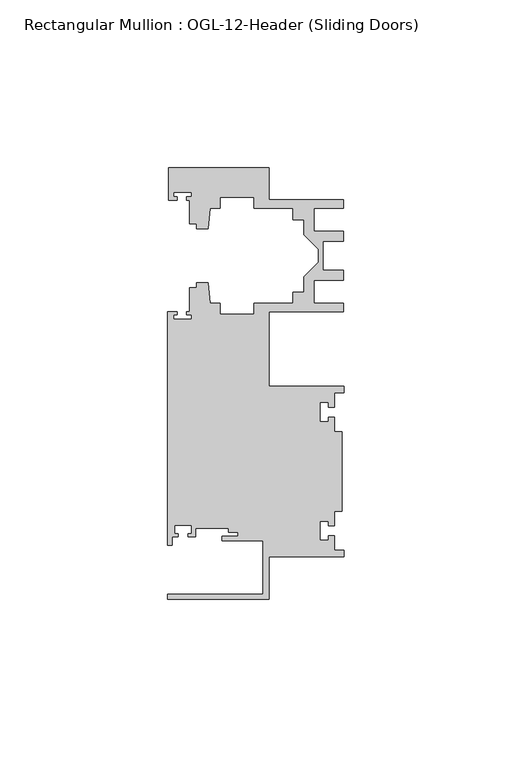
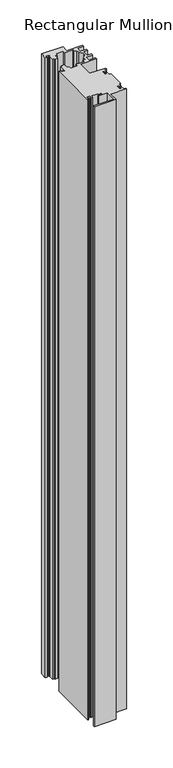
"""IFC4 building model written with IfcOpenShell, lengths in millimetres: member geometry, Rectangular Mullion : OGL-12-Header (Sliding Doors)."""

import ifcopenshell
import ifcopenshell.guid

model = None  # the IFC model being written
_history = None  # IfcOwnerHistory: only IFC2X3 demands one
_inside = {}  # id of a spatial element -> (the spatial element, [elements in it])
_under = {}  # id of a project, library or spatial element -> (it, [spatial elements below it])
_declared = {}  # id of a project -> (the project, [libraries it declares])
_typed = {}  # id of a type object -> (the type object, [elements of that type])
_made_of = {}  # id of a material, layer set ... -> (it, [elements and type objects made of it])


def new_model(schema):
    """Start an empty IFC model of exactly this schema.

    Asked for "IFC4X3", IfcOpenShell would pick the latest addendum, in which some entities
    have other attributes; the version numbers below select the first issue.
    IFC2X3 requires an IfcOwnerHistory on every rooted entity: one is made here for all.
    """
    global model, _history
    if schema == "IFC4X3":
        model = ifcopenshell.file(schema_version=(4, 3, 0, 0))
    else:
        model = ifcopenshell.file(schema=schema)
    _inside.clear()
    _under.clear()
    _declared.clear()
    _typed.clear()
    _made_of.clear()
    _history = None
    if model.schema == "IFC2X3":
        org = make("IfcOrganization", Name="unknown")
        user = make(
            "IfcPersonAndOrganization",
            ThePerson=make("IfcPerson", FamilyName="unknown"),
            TheOrganization=org,
        )
        app = make(
            "IfcApplication",
            ApplicationDeveloper=org,
            Version="unknown",
            ApplicationFullName="unknown",
            ApplicationIdentifier="unknown",
        )
        _history = make(
            "IfcOwnerHistory",
            OwningUser=user,
            OwningApplication=app,
            ChangeAction="ADDED",
            CreationDate=0,
        )
    return model


def make(cls, **values):
    """One entity of the class cls with the attributes given. An attribute that is None is left unset."""
    return model.create_entity(
        cls, **{name: value for name, value in values.items() if value is not None}
    )


def rooted(cls, **values):
    """An entity with a GlobalId (a new one), such as an element, a storey or a relation."""
    return make(cls, GlobalId=ifcopenshell.guid.new(), OwnerHistory=_history, **values)


def si_unit(unit_type, name, prefix=None):
    """IfcSIUnit, for example si_unit("LENGTHUNIT", "METRE", prefix="MILLI")."""
    return make("IfcSIUnit", UnitType=unit_type, Prefix=prefix, Name=name)


def assignment(units):
    """IfcUnitAssignment: the units of a project."""
    return None if units is None else make("IfcUnitAssignment", Units=units)


def point(xyz):
    """IfcCartesianPoint."""
    return None if xyz is None else make("IfcCartesianPoint", Coordinates=xyz)


def direction(xyz):
    """IfcDirection."""
    return None if xyz is None else make("IfcDirection", DirectionRatios=xyz)


def frame(location, z_axis=None, x_axis=None):
    """IfcAxis2Placement3D, a coordinate frame: its origin and axes. An axis left out is left unset."""
    return make(
        "IfcAxis2Placement3D",
        Location=point(location),
        Axis=direction(z_axis),
        RefDirection=direction(x_axis),
    )


def origin():
    """The frame at (0, 0, 0) with its axes left unset."""
    return frame((0.0, 0.0, 0.0))


def place(relative_to, where):
    """IfcLocalPlacement: puts the frame where relative to a parent placement (None: the world)."""
    return make(
        "IfcLocalPlacement", PlacementRelTo=relative_to, RelativePlacement=where
    )


def context(
    kind, dimensions, precision=None, world=None, true_north=None, identifier=None
):
    """IfcGeometricRepresentationContext, for example the 3D "Model" context."""
    return make(
        "IfcGeometricRepresentationContext",
        ContextIdentifier=identifier,
        ContextType=kind,
        CoordinateSpaceDimension=dimensions,
        Precision=precision,
        WorldCoordinateSystem=world,
        TrueNorth=true_north,
    )


def project(units=None, contexts=None):
    """IfcProject with its units and contexts."""
    return rooted(
        "IfcProject",
        Name="project",
        RepresentationContexts=contexts,
        UnitsInContext=assignment(units),
    )


def spatial(cls, under=None, at=None, **own):
    """A site, building, storey or space (cls), placed at a placement, below another one or the project."""
    s = rooted(cls, ObjectPlacement=at, **own)
    if under is not None:
        _under.setdefault(under.id(), (under, []))[1].append(s)
    return s


def polyline(points):
    """IfcPolyline through the points."""
    return make("IfcPolyline", Points=[point(p) for p in points])


def outline(outer, holes=None, kind="AREA"):
    """IfcArbitraryClosedProfileDef: a profile drawn as a closed curve; with holes, ...WithVoids."""
    if holes is None:
        return make("IfcArbitraryClosedProfileDef", ProfileType=kind, OuterCurve=outer)
    return make(
        "IfcArbitraryProfileDefWithVoids",
        ProfileType=kind,
        OuterCurve=outer,
        InnerCurves=holes,
    )


def extrude(swept, where, along, depth):
    """IfcExtrudedAreaSolid: the profile swept, set in the frame where, extruded along a direction by depth."""
    return make(
        "IfcExtrudedAreaSolid",
        SweptArea=swept,
        Position=where,
        ExtrudedDirection=direction(along),
        Depth=depth,
    )


def shape(context_of_items, identifier, shape_type, items):
    """IfcShapeRepresentation: the items that make up one representation, for example the "Body"."""
    return make(
        "IfcShapeRepresentation",
        ContextOfItems=context_of_items,
        RepresentationIdentifier=identifier,
        RepresentationType=shape_type,
        Items=items,
    )


def source(mapping_origin, context_of_items, identifier, shape_type, items):
    """IfcRepresentationMap: a shape defined once, which mapped items show again and again."""
    return make(
        "IfcRepresentationMap",
        MappingOrigin=mapping_origin,
        MappedRepresentation=shape(context_of_items, identifier, shape_type, items),
    )


def transform(
    local_origin,
    x_axis=None,
    y_axis=None,
    z_axis=None,
    scale=None,
    scale2=None,
    scale3=None,
    uniform=True,
):
    """IfcCartesianTransformationOperator3D, or its non-uniform kind. x_axis, y_axis, z_axis: its Axis1, 2, 3."""
    if uniform:
        return make(
            "IfcCartesianTransformationOperator3D",
            Axis1=direction(x_axis),
            Axis2=direction(y_axis),
            LocalOrigin=point(local_origin),
            Scale=scale,
            Axis3=direction(z_axis),
        )
    return make(
        "IfcCartesianTransformationOperator3DnonUniform",
        Axis1=direction(x_axis),
        Axis2=direction(y_axis),
        LocalOrigin=point(local_origin),
        Scale=scale,
        Axis3=direction(z_axis),
        Scale2=scale2,
        Scale3=scale3,
    )


def mapped(mapping_source, mapping_target):
    """IfcMappedItem: shows the shape of a source again, moved by a transform."""
    return make(
        "IfcMappedItem", MappingSource=mapping_source, MappingTarget=mapping_target
    )


def made_of(thing, what):
    """Note that an element or type object is made of a material, layer set ...; save() writes the relation."""
    if what is not None:
        _made_of.setdefault(what.id(), (what, []))[1].append(thing)
    return thing


def element(
    cls,
    number,
    at=None,
    inside=None,
    cuts=None,
    type_object=None,
    material=None,
    context=None,
    identifier="Body",
    shape_type=None,
    held_by="IfcProductDefinitionShape",
    body=None,
    shapes=None,
    **own,
):
    """One element of the class cls, such as IfcWall. Its Tag is "e" and its number.

    at: its placement. inside: the storey or other place that contains it. cuts: it is an
    opening in that element (IfcRelVoidsElement). A single representation is given by context,
    identifier, shape_type and body (its items); several are given by shapes. held_by: the class
    of the entity that holds the representations. save() writes the other relations.
    """
    e = rooted(cls, Tag="e%d" % number, ObjectPlacement=at, **own)
    if body is not None:
        shapes = [shape(context, identifier, shape_type, body)]
    if shapes is not None:
        e.Representation = make(held_by, Representations=shapes)
    if inside is not None:
        _inside.setdefault(inside.id(), (inside, []))[1].append(e)
    if cuts is not None:
        rooted(
            "IfcRelVoidsElement", RelatingBuildingElement=cuts, RelatedOpeningElement=e
        )
    if type_object is not None:
        _typed.setdefault(type_object.id(), (type_object, []))[1].append(e)
    return made_of(e, material)


def aggregate(whole, parts):
    """IfcRelAggregates: a whole, such as a stair, and the parts it consists of."""
    return rooted("IfcRelAggregates", RelatingObject=whole, RelatedObjects=parts)


def save(model, path):
    """Write the relations noted so far, then the file.

    IfcRelAggregates (storeys below a building ...), IfcRelContainedInSpatialStructure (elements
    in a storey), IfcRelDefinesByType, IfcRelAssociatesMaterial and IfcRelDeclares: one each for
    every whole, place, type object, material and project.
    """
    for whole, parts in _under.values():
        aggregate(whole, parts)
    for where, things in _inside.values():
        rooted(
            "IfcRelContainedInSpatialStructure",
            RelatedElements=things,
            RelatingStructure=where,
        )
    for kind, things in _typed.values():
        rooted("IfcRelDefinesByType", RelatedObjects=things, RelatingType=kind)
    for what, things in _made_of.values():
        rooted("IfcRelAssociatesMaterial", RelatedObjects=things, RelatingMaterial=what)
    for by, libraries in _declared.values():
        rooted("IfcRelDeclares", RelatingContext=by, RelatedDefinitions=libraries)
    model.write(path)


def rectangular_mullion_ogl_12_header_sliding_doors_cfec13be(model_context):
    return source(origin(), model_context, "Body", "SweptSolid", [
        extrude(outline(polyline([(0.0, -25.4), (-22.2332898, -25.4), (-22.2332898, -38.0996792), (-52.3921824, -38.0996792), (-52.3921824, -36.512516), (-24.0747898, -36.512516), (-24.0747898, -20.5916734), (-36.2104247, -20.5916734), (-36.2104247, -19.3006707), (-31.5444935, -19.3006707), (-31.5444935, -18.1510261), (-34.2833684, -18.1510261), (-34.2833684, -16.8641675), (-44.1094055, -16.8641675), (-44.1094055, -19.4824275), (-46.3304245, -19.4824275), (-46.3304245, -18.4751625), (-45.359407, -18.4751625), (-45.359407, -15.9751675), (-50.359397, -15.9751675), (-50.359397, -18.4751625), (-49.3568347, -18.4751625), (-49.3568347, -19.4824275), (-51.1362531, -19.4824275), (-51.1362531, -21.9710976), (-52.3921824, -21.9710976), (-52.3921824, 47.583496), (-49.5910554, 47.583496), (-49.5910554, 46.7096046), (-50.6220715, 46.7096046), (-50.6220715, 45.3318149), (-45.3220715, 45.3318149), (-45.3220715, 46.7096046), (-46.769305, 46.7096046), (-46.769305, 47.583496), (-45.9710366, 47.583496), (-45.9710366, 54.6622994), (-43.7582575, 54.6622994), (-43.7582575, 56.213352), (-40.3395523, 56.213352), (-39.7961967, 50.0027691), (-36.8419772, 50.0027691), (-36.8419772, 46.838352), (-26.7462575, 46.838352), (-26.7462575, 50.013352), (-15.0768765, 50.013352), (-15.0768765, 53.413352), (-11.8582575, 53.413352), (-11.8582575, 57.8946468), (-7.4980859, 62.2548184), (-7.4980859, 66.1340176), (-11.8582575, 70.4941892), (-11.8582575, 74.975484), (-15.0768765, 74.975484), (-15.0768765, 78.375484), (-26.7462575, 78.375484), (-26.7462575, 81.550484), (-36.8419772, 81.550484), (-36.8419772, 78.3860669), (-39.7961967, 78.3860669), (-40.3395523, 72.175484), (-43.7582575, 72.175484), (-43.7582575, 73.7629518), (-45.9710366, 73.7629518), (-45.9710366, 80.7425364), (-46.8181909, 80.7425364), (-46.8181909, 81.7156466), (-45.3220715, 81.7156466), (-45.3220715, 83.0934363), (-50.6220715, 83.0934363), (-50.6220715, 81.7156466), (-49.5692346, 81.7156466), (-49.5692346, 80.7425364), (-52.2095715, 80.7425364), (-52.2095715, 90.3252352), (-22.2032575, 90.3252352), (-22.2032575, 80.875484), (-0.0082575, 80.875484), (-0.0082575, 78.375484), (-8.8582575, 78.375484), (-8.8582575, 71.5325565), (-0.0082575, 71.5325565), (-0.0082575, 68.5325565), (-6.1582575, 68.5325565), (-6.1582575, 59.8562795), (-0.0082575, 59.8562795), (-0.0082575, 56.8562795), (-8.8582575, 56.8562795), (-8.8582575, 50.013352), (-0.0082575, 50.013352), (-0.0082575, 47.513352), (-22.2332898, 47.513352), (-22.2332898, 25.4), (0.0, 25.4), (0.0, 23.488176), (-2.740223, 23.488176), (-2.740223, 19.1395859), (-4.5407068, 19.1395859), (-4.5407068, 20.5271706), (-7.0406862, 20.5271706), (-7.0406862, 14.7651725), (-4.5407047, 14.7651725), (-4.5407047, 16.1605952), (-2.740223, 16.1605952), (-2.740223, 11.8041704), (-0.508, 11.8041704), (-0.508, -11.8041704), (-2.740223, -11.8041704), (-2.740223, -16.1605952), (-4.5407047, -16.1605952), (-4.5407047, -14.7651725), (-7.0406862, -14.7651725), (-7.0406862, -20.5271706), (-4.5407068, -20.5271706), (-4.5407068, -19.1395859), (-2.740223, -19.1395859), (-2.740223, -23.488176), (0.0, -23.488176), (0.0, -25.4)])), frame((0.0, 0.0, -914.4), z_axis=(0.0, 0.0, 1.0), x_axis=(1.0, 0.0, 0.0)), (0.0, 0.0, 1.0), 914.4),
    ])


if __name__ == "__main__":
    model = new_model("IFC4")
    model_context = context("Model", 3, world=origin())
    ifc_project = project(units=[si_unit("LENGTHUNIT", "METRE", prefix="MILLI")], contexts=[model_context])
    site = spatial("IfcSite", under=ifc_project)
    building = spatial("IfcBuilding", under=site)
    placement = place(None, origin())
    rectangular_mullion_ogl_12_header_sliding_doors_shape = rectangular_mullion_ogl_12_header_sliding_doors_cfec13be(model_context)
    element("IfcMember", 1, ObjectType="Rectangular Mullion : OGL-12-Header (Sliding Doors)", at=placement, inside=building, context=model_context, shape_type="MappedRepresentation", body=[
        mapped(rectangular_mullion_ogl_12_header_sliding_doors_shape, transform((0.0, 0.0, 0.0), x_axis=(1.0, 0.0, 0.0), y_axis=(0.0, 1.0, 0.0), z_axis=(0.0, 0.0, 1.0))),
    ])
    save(model, "model.ifc")
